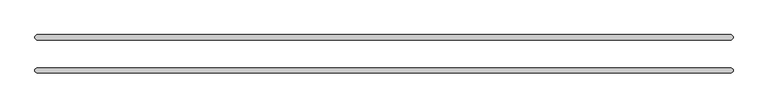
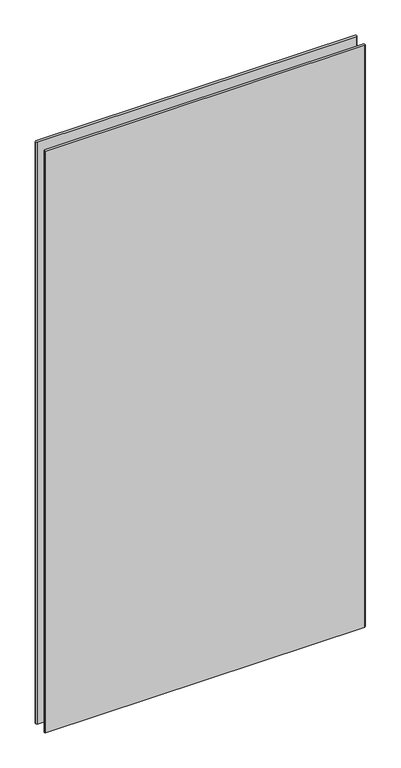
"""IFC4 building model written with IfcOpenShell, lengths in millimetres: plate geometry."""

from ifc_helpers import new_model, si_unit, origin, origin_with_axes, place, context, project, spatial, polyline, outline, extrude, source, transform, mapped, element, save


def plate_f75a7411(model_context):
    return source(origin(), model_context, "Body", "SweptSolid", [
        extrude(outline(polyline([(631.03125, -34.925), (-631.03125, -34.925), (-634.20625, -31.75), (-634.20625, -28.575), (-631.03125, -25.4), (631.03125, -25.4), (634.20625, -28.575), (634.20625, -31.75), (631.03125, -34.925)])), origin_with_axes(), (0.0, 0.0, 1.0), 2428.7789267),
        extrude(outline(polyline([(631.03125, 25.4), (-631.03125, 25.4), (-634.20625, 28.575), (-634.20625, 31.75), (-631.03125, 34.925), (631.03125, 34.925), (634.20625, 31.75), (634.20625, 28.575), (631.03125, 25.4)])), origin_with_axes(), (0.0, 0.0, 1.0), 2428.7789267),
    ])


if __name__ == "__main__":
    model = new_model("IFC4")
    model_context = context("Model", 3, world=origin())
    ifc_project = project(units=[si_unit("LENGTHUNIT", "METRE", prefix="MILLI")], contexts=[model_context])
    site = spatial("IfcSite", under=ifc_project)
    building = spatial("IfcBuilding", under=site)
    placement = place(None, origin())
    plate_shape = plate_f75a7411(model_context)
    element("IfcPlate", 1, at=placement, inside=building, context=model_context, shape_type="MappedRepresentation", body=[
        mapped(plate_shape, transform((0.0, 0.0, 0.0), x_axis=(1.0, 0.0, 0.0), y_axis=(0.0, 1.0, 0.0), z_axis=(0.0, 0.0, 1.0))),
    ])
    save(model, "model.ifc")
